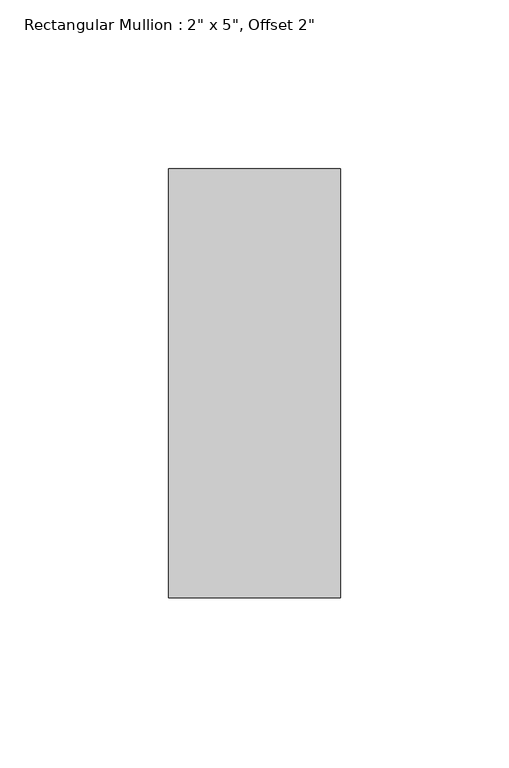
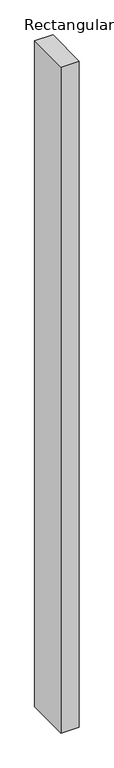
"""IFC4 building model written with IfcOpenShell, lengths in millimetres: member geometry."""

from ifc_helpers import new_model, si_unit, frame, origin, place, context, project, spatial, polyline, outline, extrude, source, transform, mapped, element, save


def member_b30879cf(model_context):
    return source(origin(), model_context, "Body", "SweptSolid", [
        extrude(outline(polyline([(0.0, 114.3), (0.0, -12.7), (-50.8, -12.7), (-50.8, 114.3), (0.0, 114.3)])), frame((0.0, 0.0, -1962.15), z_axis=(0.0, 0.0, 1.0), x_axis=(1.0, 0.0, 0.0)), (0.0, 0.0, 1.0), 1962.15),
    ])


if __name__ == "__main__":
    model = new_model("IFC4")
    model_context = context("Model", 3, world=origin())
    ifc_project = project(units=[si_unit("LENGTHUNIT", "METRE", prefix="MILLI")], contexts=[model_context])
    site = spatial("IfcSite", under=ifc_project)
    building = spatial("IfcBuilding", under=site)
    placement = place(None, origin())
    member_shape = member_b30879cf(model_context)
    element("IfcMember", 1, ObjectType="Rectangular Mullion : 2\" x 5\", Offset 2\"", at=placement, inside=building, context=model_context, shape_type="MappedRepresentation", body=[
        mapped(member_shape, transform((0.0, 0.0, 0.0), x_axis=(1.0, 0.0, 0.0), y_axis=(0.0, 1.0, 0.0), z_axis=(0.0, 0.0, 1.0))),
    ])
    save(model, "model.ifc")
